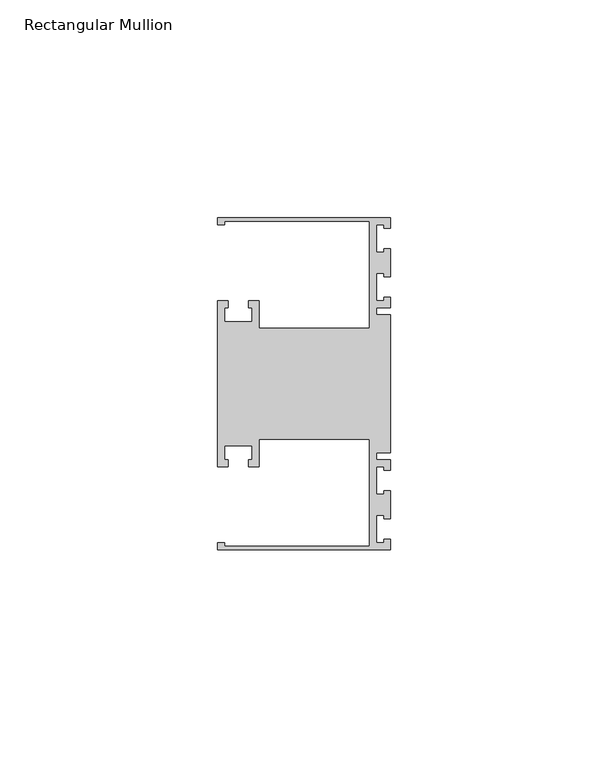
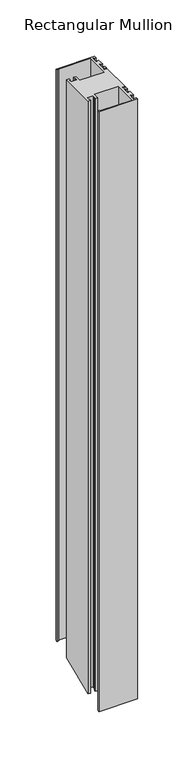
"""IFC4 building model written with IfcOpenShell, lengths in millimetres: member geometry, Rectangular Mullion."""

from ifc_helpers import new_model, si_unit, origin, place, context, project, spatial, faceted_brep, source, transform, mapped, element, save


def rectangular_mullion_8cd44d4e(model_context):
    return source(origin(), model_context, "Body", "Brep", [
        faceted_brep([(0.0, 38.1, 0.0), (-39.6875, 38.1, 0.0), (-39.6875, 36.5125, 0.0), (-38.1, 36.5125, 0.0), (-38.1, 37.30625, 0.0), (-4.8585733, 37.30625, 0.0), (-4.8585733, 12.6999969, 0.0), (-30.1625, 12.6999969, 0.0), (-30.1625, 19.05, 0.0), (-32.54375, 19.05, 0.0), (-32.54375, 17.4625, 0.0), (-31.75, 17.4625, 0.0), (-31.75, 14.2875, 0.0), (-38.1, 14.2875, 0.0), (-38.1, 17.4625, 0.0), (-37.30625, 17.4625, 0.0), (-37.30625, 19.05, 0.0), (-39.6875, 19.05, 0.0), (-39.6875, -19.05, 0.0), (-37.30625, -19.05, 0.0), (-37.30625, -17.4625, 0.0), (-38.1, -17.4625, 0.0), (-38.1, -14.2875, 0.0), (-31.75, -14.2875, 0.0), (-31.75, -17.4625, 0.0), (-32.54375, -17.4625, 0.0), (-32.54375, -19.05, 0.0), (-30.1625, -19.05, 0.0), (-30.1625, -12.6999969, 0.0), (-4.8585733, -12.6999969, 0.0), (-4.8585733, -37.30625, 0.0), (-38.1, -37.30625, 0.0), (-38.1, -36.5125, 0.0), (-39.6875, -36.5125, 0.0), (-39.6875, -38.1, 0.0), (0.0, -38.1, 0.0), (0.0, -35.71875, 0.0), (-1.4999946, -35.71875, 0.0), (-1.4999946, -36.5125, 0.0), (-3.175, -36.5125, 0.0), (-3.175, -30.1625, 0.0), (-1.4999946, -30.1625, 0.0), (-1.4999946, -30.95625, 0.0), (0.0, -30.95625, 0.0), (0.0, -24.60625, 0.0), (-1.4999946, -24.60625, 0.0), (-1.4999946, -25.4, 0.0), (-3.175, -25.4, 0.0), (-3.175, -19.05, 0.0), (-1.4999946, -19.05, 0.0), (-1.4999946, -19.84375, 0.0), (0.0, -19.84375, 0.0), (0.0, -17.4625, 0.0), (-3.175, -17.4625, 0.0), (-3.175, -15.875, 0.0), (0.0, -15.875, 0.0), (0.0, 15.875, 0.0), (-3.175, 15.875, 0.0), (-3.175, 17.4625, 0.0), (0.0, 17.4625, 0.0), (0.0, 19.84375, 0.0), (-1.4999946, 19.84375, 0.0), (-1.4999946, 19.05, 0.0), (-3.175, 19.05, 0.0), (-3.175, 25.4, 0.0), (-1.4999946, 25.4, 0.0), (-1.4999946, 24.60625, 0.0), (0.0, 24.60625, 0.0), (0.0, 30.95625, 0.0), (-1.4999946, 30.95625, 0.0), (-1.4999946, 30.1625, 0.0), (-3.175, 30.1625, 0.0), (-3.175, 36.5125, 0.0), (-1.4999946, 36.5125, 0.0), (-1.4999946, 35.71875, 0.0), (0.0, 35.71875, 0.0), (0.0, 38.1, -619.2184633), (-39.6875, 38.1, -619.2184633), (-39.6875, 36.5125, -619.8760273), (-38.1, 36.5125, -619.8760273), (-38.1, 37.30625, -619.5472453), (-4.8585733, 37.30625, -619.5472453), (-4.8585733, 12.6999969, -629.739489), (-30.1625, 12.6999969, -629.739489), (-30.1625, 19.05, -627.1092316), (-32.54375, 19.05, -627.1092316), (-32.54375, 17.4625, -627.7667957), (-31.75, 17.4625, -627.7667957), (-31.75, 14.2875, -629.0819237), (-38.1, 14.2875, -629.0819237), (-38.1, 17.4625, -627.7667957), (-37.30625, 17.4625, -627.7667957), (-37.30625, 19.05, -627.1092316), (-39.6875, 19.05, -627.1092316), (-39.6875, -19.05, -642.8907684), (-37.30625, -19.05, -642.8907684), (-37.30625, -17.4625, -642.2332043), (-38.1, -17.4625, -642.2332043), (-38.1, -14.2875, -640.9180763), (-31.75, -14.2875, -640.9180763), (-31.75, -17.4625, -642.2332043), (-32.54375, -17.4625, -642.2332043), (-32.54375, -19.05, -642.8907684), (-30.1625, -19.05, -642.8907684), (-30.1625, -12.6999969, -640.260511), (-4.8585733, -12.6999969, -640.260511), (-4.8585733, -37.30625, -650.4527547), (-38.1, -37.30625, -650.4527547), (-38.1, -36.5125, -650.1239727), (-39.6875, -36.5125, -650.1239727), (-39.6875, -38.1, -650.7815367), (0.0, -38.1, -650.7815367), (0.0, -35.71875, -649.7951907), (-1.4999946, -35.71875, -649.7951907), (-1.4999946, -36.5125, -650.1239727), (-3.175, -36.5125, -650.1239727), (-3.175, -30.1625, -647.4937166), (-1.4999946, -30.1625, -647.4937166), (-1.4999946, -30.95625, -647.8224986), (0.0, -30.95625, -647.8224986), (0.0, -24.60625, -645.1922425), (-1.4999946, -24.60625, -645.1922425), (-1.4999946, -25.4, -645.5210245), (-3.175, -25.4, -645.5210245), (-3.175, -19.05, -642.8907684), (-1.4999946, -19.05, -642.8907684), (-1.4999946, -19.84375, -643.2195504), (0.0, -19.84375, -643.2195504), (0.0, -17.4625, -642.2332043), (-3.175, -17.4625, -642.2332043), (-3.175, -15.875, -641.5756403), (0.0, -15.875, -641.5756403), (0.0, 15.875, -628.4243597), (-3.175, 15.875, -628.4243597), (-3.175, 17.4625, -627.7667957), (0.0, 17.4625, -627.7667957), (0.0, 19.84375, -626.7804496), (-1.4999946, 19.84375, -626.7804496), (-1.4999946, 19.05, -627.1092316), (-3.175, 19.05, -627.1092316), (-3.175, 25.4, -624.4789755), (-1.4999946, 25.4, -624.4789755), (-1.4999946, 24.60625, -624.8077575), (0.0, 24.60625, -624.8077575), (0.0, 30.95625, -622.1775014), (-1.4999946, 30.95625, -622.1775014), (-1.4999946, 30.1625, -622.5062834), (-3.175, 30.1625, -622.5062834), (-3.175, 36.5125, -619.8760273), (-1.4999946, 36.5125, -619.8760273), (-1.4999946, 35.71875, -620.2048093), (0.0, 35.71875, -620.2048093)], [[[0, 1, 2, 3, 4, 5, 6, 7, 8, 9, 10, 11, 12, 13, 14, 15, 16, 17, 18, 19, 20, 21, 22, 23, 24, 25, 26, 27, 28, 29, 30, 31, 32, 33, 34, 35, 36, 37, 38, 39, 40, 41, 42, 43, 44, 45, 46, 47, 48, 49, 50, 51, 52, 53, 54, 55, 56, 57, 58, 59, 60, 61, 62, 63, 64, 65, 66, 67, 68, 69, 70, 71, 72, 73, 74, 75]], [[1, 0, 76, 77]], [[2, 1, 77, 78]], [[3, 2, 78, 79]], [[4, 3, 79, 80]], [[5, 4, 80, 81]], [[6, 5, 81, 82]], [[7, 6, 82, 83]], [[8, 7, 83, 84]], [[9, 8, 84, 85]], [[10, 9, 85, 86]], [[11, 10, 86, 87]], [[12, 11, 87, 88]], [[13, 12, 88, 89]], [[14, 13, 89, 90]], [[15, 14, 90, 91]], [[16, 15, 91, 92]], [[17, 16, 92, 93]], [[18, 17, 93, 94]], [[19, 18, 94, 95]], [[20, 19, 95, 96]], [[21, 20, 96, 97]], [[22, 21, 97, 98]], [[23, 22, 98, 99]], [[24, 23, 99, 100]], [[25, 24, 100, 101]], [[26, 25, 101, 102]], [[27, 26, 102, 103]], [[28, 27, 103, 104]], [[29, 28, 104, 105]], [[30, 29, 105, 106]], [[31, 30, 106, 107]], [[32, 31, 107, 108]], [[33, 32, 108, 109]], [[34, 33, 109, 110]], [[35, 34, 110, 111]], [[36, 35, 111, 112]], [[37, 36, 112, 113]], [[38, 37, 113, 114]], [[39, 38, 114, 115]], [[40, 39, 115, 116]], [[41, 40, 116, 117]], [[42, 41, 117, 118]], [[43, 42, 118, 119]], [[44, 43, 119, 120]], [[45, 44, 120, 121]], [[46, 45, 121, 122]], [[47, 46, 122, 123]], [[48, 47, 123, 124]], [[49, 48, 124, 125]], [[50, 49, 125, 126]], [[51, 50, 126, 127]], [[52, 51, 127, 128]], [[53, 52, 128, 129]], [[54, 53, 129, 130]], [[55, 54, 130, 131]], [[56, 55, 131, 132]], [[57, 56, 132, 133]], [[58, 57, 133, 134]], [[59, 58, 134, 135]], [[60, 59, 135, 136]], [[61, 60, 136, 137]], [[62, 61, 137, 138]], [[63, 62, 138, 139]], [[64, 63, 139, 140]], [[65, 64, 140, 141]], [[66, 65, 141, 142]], [[67, 66, 142, 143]], [[68, 67, 143, 144]], [[69, 68, 144, 145]], [[70, 69, 145, 146]], [[71, 70, 146, 147]], [[72, 71, 147, 148]], [[73, 72, 148, 149]], [[74, 73, 149, 150]], [[75, 74, 150, 151]], [[0, 75, 151, 76]], [[76, 151, 150, 149, 148, 147, 146, 145, 144, 143, 142, 141, 140, 139, 138, 137, 136, 135, 134, 133, 132, 131, 130, 129, 128, 127, 126, 125, 124, 123, 122, 121, 120, 119, 118, 117, 116, 115, 114, 113, 112, 111, 110, 109, 108, 107, 106, 105, 104, 103, 102, 101, 100, 99, 98, 97, 96, 95, 94, 93, 92, 91, 90, 89, 88, 87, 86, 85, 84, 83, 82, 81, 80, 79, 78, 77]]]),
    ])


if __name__ == "__main__":
    model = new_model("IFC4")
    model_context = context("Model", 3, world=origin())
    ifc_project = project(units=[si_unit("LENGTHUNIT", "METRE", prefix="MILLI")], contexts=[model_context])
    site = spatial("IfcSite", under=ifc_project)
    building = spatial("IfcBuilding", under=site)
    placement = place(None, origin())
    rectangular_mullion_shape = rectangular_mullion_8cd44d4e(model_context)
    element("IfcMember", 1, ObjectType="Rectangular Mullion", at=placement, inside=building, context=model_context, shape_type="MappedRepresentation", body=[
        mapped(rectangular_mullion_shape, transform((0.0, 0.0, 0.0), x_axis=(1.0, 0.0, 0.0), y_axis=(0.0, 1.0, 0.0), z_axis=(0.0, 0.0, 1.0))),
    ])
    save(model, "model.ifc")
